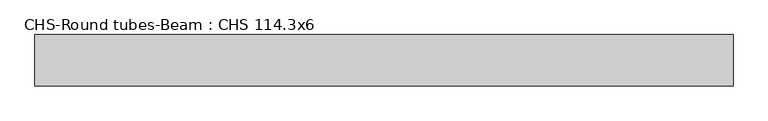
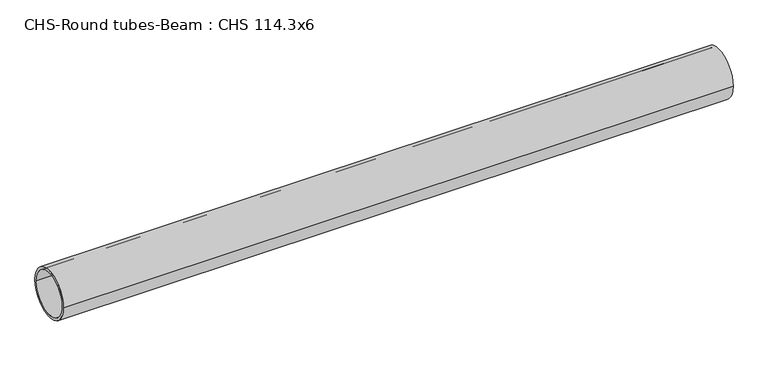
"""IFC4 building model written with IfcOpenShell, lengths in millimetres: beam geometry, CHS-Round tubes-Beam : CHS 114.3x6."""

from ifc_helpers import new_model, si_unit, point, frame, origin, origin_2d, place, context, project, spatial, circle_curve, trimmed, segment, composite_curve, outline, extrude, source, transform, mapped, element, save


def chs_round_tubes_beam_chs_114_3x6_f4658518(model_context):
    return source(origin(), model_context, "Body", "SweptSolid", [
        extrude(outline(composite_curve([segment(trimmed(circle_curve(origin_2d(), 57.15), [point((57.15, 0.0))], [point((-57.15, 0.0))], False, "CARTESIAN"), True, "CONTINUOUS"), segment(trimmed(circle_curve(origin_2d(), 57.15), [point((-57.15, 0.0))], [point((57.15, 0.0))], False, "CARTESIAN"), True, "CONTINUOUS")], self_intersect=False), holes=[composite_curve([segment(trimmed(circle_curve(origin_2d(), 51.15), [point((51.15, 0.0))], [point((-51.15, 0.0))], True, "CARTESIAN"), True, "CONTINUOUS"), segment(trimmed(circle_curve(origin_2d(), 51.15), [point((-51.15, 0.0))], [point((51.15, 0.0))], True, "CARTESIAN"), True, "CONTINUOUS")], self_intersect=False)]), frame((-789.9829187, 0.0, 0.0), z_axis=(1.0, 0.0, 0.0), x_axis=(0.0, 1.0, 0.0)), (0.0, 0.0, 1.0), 1555.2662972),
    ])


if __name__ == "__main__":
    model = new_model("IFC4")
    model_context = context("Model", 3, world=origin())
    ifc_project = project(units=[si_unit("LENGTHUNIT", "METRE", prefix="MILLI")], contexts=[model_context])
    site = spatial("IfcSite", under=ifc_project)
    building = spatial("IfcBuilding", under=site)
    placement = place(None, origin())
    chs_round_tubes_beam_chs_114_3x6_shape = chs_round_tubes_beam_chs_114_3x6_f4658518(model_context)
    element("IfcBeam", 1, ObjectType="CHS-Round tubes-Beam : CHS 114.3x6", at=placement, inside=building, context=model_context, shape_type="MappedRepresentation", body=[
        mapped(chs_round_tubes_beam_chs_114_3x6_shape, transform((0.0, 0.0, 0.0), x_axis=(1.0, 0.0, 0.0), y_axis=(0.0, 1.0, 0.0), z_axis=(0.0, 0.0, 1.0))),
    ])
    save(model, "model.ifc")
